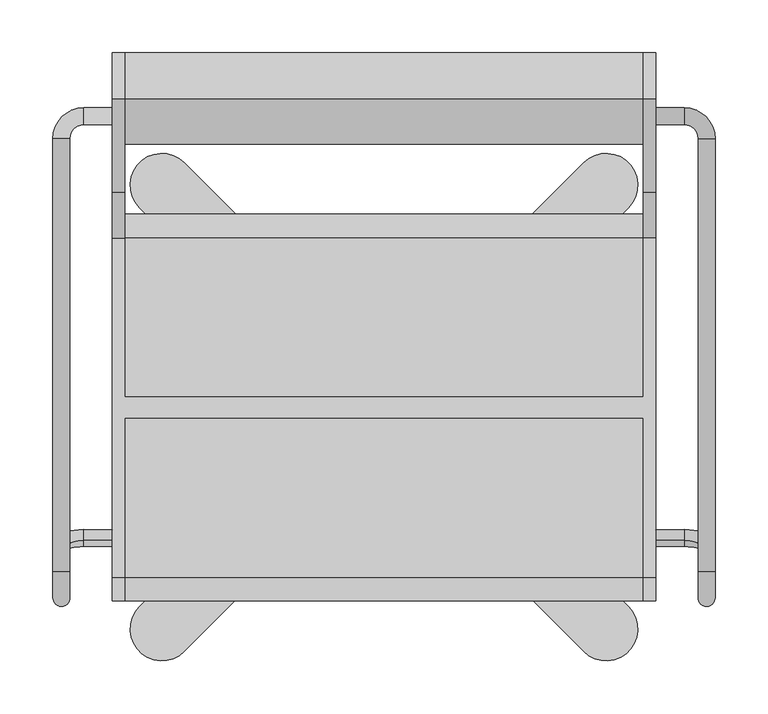
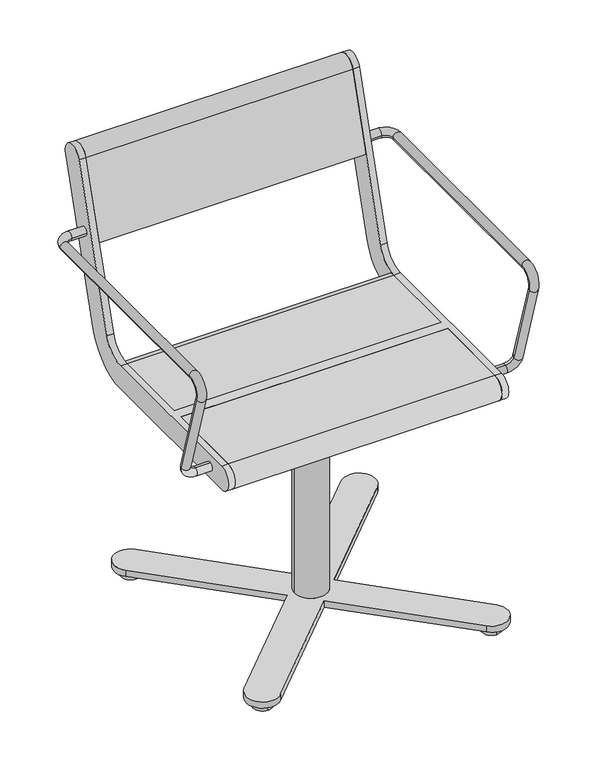
"""IFC4 building model written with IfcOpenShell, lengths in millimetres: furniture geometry."""

import ifcopenshell
import ifcopenshell.guid

model = None  # the IFC model being written
_history = None  # IfcOwnerHistory: only IFC2X3 demands one
_inside = {}  # id of a spatial element -> (the spatial element, [elements in it])
_under = {}  # id of a project, library or spatial element -> (it, [spatial elements below it])
_declared = {}  # id of a project -> (the project, [libraries it declares])
_typed = {}  # id of a type object -> (the type object, [elements of that type])
_made_of = {}  # id of a material, layer set ... -> (it, [elements and type objects made of it])


def new_model(schema):
    """Start an empty IFC model of exactly this schema.

    Asked for "IFC4X3", IfcOpenShell would pick the latest addendum, in which some entities
    have other attributes; the version numbers below select the first issue.
    IFC2X3 requires an IfcOwnerHistory on every rooted entity: one is made here for all.
    """
    global model, _history
    if schema == "IFC4X3":
        model = ifcopenshell.file(schema_version=(4, 3, 0, 0))
    else:
        model = ifcopenshell.file(schema=schema)
    _inside.clear()
    _under.clear()
    _declared.clear()
    _typed.clear()
    _made_of.clear()
    _history = None
    if model.schema == "IFC2X3":
        org = make("IfcOrganization", Name="unknown")
        user = make(
            "IfcPersonAndOrganization",
            ThePerson=make("IfcPerson", FamilyName="unknown"),
            TheOrganization=org,
        )
        app = make(
            "IfcApplication",
            ApplicationDeveloper=org,
            Version="unknown",
            ApplicationFullName="unknown",
            ApplicationIdentifier="unknown",
        )
        _history = make(
            "IfcOwnerHistory",
            OwningUser=user,
            OwningApplication=app,
            ChangeAction="ADDED",
            CreationDate=0,
        )
    return model


def make(cls, **values):
    """One entity of the class cls with the attributes given. An attribute that is None is left unset."""
    return model.create_entity(
        cls, **{name: value for name, value in values.items() if value is not None}
    )


def rooted(cls, **values):
    """An entity with a GlobalId (a new one), such as an element, a storey or a relation."""
    return make(cls, GlobalId=ifcopenshell.guid.new(), OwnerHistory=_history, **values)


def si_unit(unit_type, name, prefix=None):
    """IfcSIUnit, for example si_unit("LENGTHUNIT", "METRE", prefix="MILLI")."""
    return make("IfcSIUnit", UnitType=unit_type, Prefix=prefix, Name=name)


def assignment(units):
    """IfcUnitAssignment: the units of a project."""
    return None if units is None else make("IfcUnitAssignment", Units=units)


def point(xyz):
    """IfcCartesianPoint."""
    return None if xyz is None else make("IfcCartesianPoint", Coordinates=xyz)


def direction(xyz):
    """IfcDirection."""
    return None if xyz is None else make("IfcDirection", DirectionRatios=xyz)


def frame(location, z_axis=None, x_axis=None):
    """IfcAxis2Placement3D, a coordinate frame: its origin and axes. An axis left out is left unset."""
    return make(
        "IfcAxis2Placement3D",
        Location=point(location),
        Axis=direction(z_axis),
        RefDirection=direction(x_axis),
    )


def frame_2d(location, x_axis=None):
    """IfcAxis2Placement2D, a coordinate frame in the plane: its origin and x axis."""
    return make(
        "IfcAxis2Placement2D", Location=point(location), RefDirection=direction(x_axis)
    )


def origin():
    """The frame at (0, 0, 0) with its axes left unset."""
    return frame((0.0, 0.0, 0.0))


def place(relative_to, where):
    """IfcLocalPlacement: puts the frame where relative to a parent placement (None: the world)."""
    return make(
        "IfcLocalPlacement", PlacementRelTo=relative_to, RelativePlacement=where
    )


def context(
    kind, dimensions, precision=None, world=None, true_north=None, identifier=None
):
    """IfcGeometricRepresentationContext, for example the 3D "Model" context."""
    return make(
        "IfcGeometricRepresentationContext",
        ContextIdentifier=identifier,
        ContextType=kind,
        CoordinateSpaceDimension=dimensions,
        Precision=precision,
        WorldCoordinateSystem=world,
        TrueNorth=true_north,
    )


def project(units=None, contexts=None):
    """IfcProject with its units and contexts."""
    return rooted(
        "IfcProject",
        Name="project",
        RepresentationContexts=contexts,
        UnitsInContext=assignment(units),
    )


def spatial(cls, under=None, at=None, **own):
    """A site, building, storey or space (cls), placed at a placement, below another one or the project."""
    s = rooted(cls, ObjectPlacement=at, **own)
    if under is not None:
        _under.setdefault(under.id(), (under, []))[1].append(s)
    return s


def polyline(points):
    """IfcPolyline through the points."""
    return make("IfcPolyline", Points=[point(p) for p in points])


def circle_curve(where, radius):
    """IfcCircle in the frame where."""
    return make("IfcCircle", Position=where, Radius=radius)


def ellipse_curve(where, semi_axis1, semi_axis2):
    """IfcEllipse in the frame where."""
    return make(
        "IfcEllipse", Position=where, SemiAxis1=semi_axis1, SemiAxis2=semi_axis2
    )


def trimmed(basis, trim1, trim2, sense, master):
    """IfcTrimmedCurve: the piece of a basis curve between two trims."""
    return make(
        "IfcTrimmedCurve",
        BasisCurve=basis,
        Trim1=trim1,
        Trim2=trim2,
        SenseAgreement=sense,
        MasterRepresentation=master,
    )


def segment(curve, same_sense, transition):
    """IfcCompositeCurveSegment."""
    return make(
        "IfcCompositeCurveSegment",
        Transition=transition,
        SameSense=same_sense,
        ParentCurve=curve,
    )


def composite_curve(segments, self_intersect=None):
    """IfcCompositeCurve: segments joined end to end."""
    return make("IfcCompositeCurve", Segments=segments, SelfIntersect=self_intersect)


def outline(outer, holes=None, kind="AREA"):
    """IfcArbitraryClosedProfileDef: a profile drawn as a closed curve; with holes, ...WithVoids."""
    if holes is None:
        return make("IfcArbitraryClosedProfileDef", ProfileType=kind, OuterCurve=outer)
    return make(
        "IfcArbitraryProfileDefWithVoids",
        ProfileType=kind,
        OuterCurve=outer,
        InnerCurves=holes,
    )


def extrude(swept, where, along, depth):
    """IfcExtrudedAreaSolid: the profile swept, set in the frame where, extruded along a direction by depth."""
    return make(
        "IfcExtrudedAreaSolid",
        SweptArea=swept,
        Position=where,
        ExtrudedDirection=direction(along),
        Depth=depth,
    )


def shape(context_of_items, identifier, shape_type, items):
    """IfcShapeRepresentation: the items that make up one representation, for example the "Body"."""
    return make(
        "IfcShapeRepresentation",
        ContextOfItems=context_of_items,
        RepresentationIdentifier=identifier,
        RepresentationType=shape_type,
        Items=items,
    )


def source(mapping_origin, context_of_items, identifier, shape_type, items):
    """IfcRepresentationMap: a shape defined once, which mapped items show again and again."""
    return make(
        "IfcRepresentationMap",
        MappingOrigin=mapping_origin,
        MappedRepresentation=shape(context_of_items, identifier, shape_type, items),
    )


def transform(
    local_origin,
    x_axis=None,
    y_axis=None,
    z_axis=None,
    scale=None,
    scale2=None,
    scale3=None,
    uniform=True,
):
    """IfcCartesianTransformationOperator3D, or its non-uniform kind. x_axis, y_axis, z_axis: its Axis1, 2, 3."""
    if uniform:
        return make(
            "IfcCartesianTransformationOperator3D",
            Axis1=direction(x_axis),
            Axis2=direction(y_axis),
            LocalOrigin=point(local_origin),
            Scale=scale,
            Axis3=direction(z_axis),
        )
    return make(
        "IfcCartesianTransformationOperator3DnonUniform",
        Axis1=direction(x_axis),
        Axis2=direction(y_axis),
        LocalOrigin=point(local_origin),
        Scale=scale,
        Axis3=direction(z_axis),
        Scale2=scale2,
        Scale3=scale3,
    )


def mapped(mapping_source, mapping_target):
    """IfcMappedItem: shows the shape of a source again, moved by a transform."""
    return make(
        "IfcMappedItem", MappingSource=mapping_source, MappingTarget=mapping_target
    )


def made_of(thing, what):
    """Note that an element or type object is made of a material, layer set ...; save() writes the relation."""
    if what is not None:
        _made_of.setdefault(what.id(), (what, []))[1].append(thing)
    return thing


def element(
    cls,
    number,
    at=None,
    inside=None,
    cuts=None,
    type_object=None,
    material=None,
    context=None,
    identifier="Body",
    shape_type=None,
    held_by="IfcProductDefinitionShape",
    body=None,
    shapes=None,
    **own,
):
    """One element of the class cls, such as IfcWall. Its Tag is "e" and its number.

    at: its placement. inside: the storey or other place that contains it. cuts: it is an
    opening in that element (IfcRelVoidsElement). A single representation is given by context,
    identifier, shape_type and body (its items); several are given by shapes. held_by: the class
    of the entity that holds the representations. save() writes the other relations.
    """
    e = rooted(cls, Tag="e%d" % number, ObjectPlacement=at, **own)
    if body is not None:
        shapes = [shape(context, identifier, shape_type, body)]
    if shapes is not None:
        e.Representation = make(held_by, Representations=shapes)
    if inside is not None:
        _inside.setdefault(inside.id(), (inside, []))[1].append(e)
    if cuts is not None:
        rooted(
            "IfcRelVoidsElement", RelatingBuildingElement=cuts, RelatedOpeningElement=e
        )
    if type_object is not None:
        _typed.setdefault(type_object.id(), (type_object, []))[1].append(e)
    return made_of(e, material)


def aggregate(whole, parts):
    """IfcRelAggregates: a whole, such as a stair, and the parts it consists of."""
    return rooted("IfcRelAggregates", RelatingObject=whole, RelatedObjects=parts)


def save(model, path):
    """Write the relations noted so far, then the file.

    IfcRelAggregates (storeys below a building ...), IfcRelContainedInSpatialStructure (elements
    in a storey), IfcRelDefinesByType, IfcRelAssociatesMaterial and IfcRelDeclares: one each for
    every whole, place, type object, material and project.
    """
    for whole, parts in _under.values():
        aggregate(whole, parts)
    for where, things in _inside.values():
        rooted(
            "IfcRelContainedInSpatialStructure",
            RelatedElements=things,
            RelatingStructure=where,
        )
    for kind, things in _typed.values():
        rooted("IfcRelDefinesByType", RelatedObjects=things, RelatingType=kind)
    for what, things in _made_of.values():
        rooted("IfcRelAssociatesMaterial", RelatedObjects=things, RelatingMaterial=what)
    for by, libraries in _declared.values():
        rooted("IfcRelDeclares", RelatingContext=by, RelatedDefinitions=libraries)
    model.write(path)


def plane_surface(at):
    """IfcPlane: the flat surface through the origin of the frame at, square to its z axis."""
    return make("IfcPlane", Position=at)


def cylinder_surface(at, radius):
    """IfcCylindricalSurface: all points at the distance radius from the z axis of the frame at."""
    return make("IfcCylindricalSurface", Position=at, Radius=radius)


def revolved_surface(curve, axis_point, axis_direction):
    """IfcSurfaceOfRevolution: the curve turned about the line through axis_point along axis_direction."""
    return make(
        "IfcSurfaceOfRevolution",
        SweptCurve=make("IfcArbitraryOpenProfileDef", ProfileType="CURVE", Curve=curve),
        AxisPosition=make("IfcAxis1Placement", Location=point(axis_point), Axis=direction(axis_direction)),
    )


def advanced_brep(points, edges, surfaces, faces):
    """IfcAdvancedBrep: a solid bounded by faces that lie on surfaces and meet in shared edges.

    An edge is (start, end): straight between two places in points (the first is 0);
    or (start, end, curve); or (start, end, curve, False) where it runs against its curve.
    A face is (place in surfaces, loops), or (place, loops, False) where it looks against
    its surface's normal. A loop lists edges by number (the first is 1), with a minus sign
    where the edge is run from its end to its start. The first loop is the outer one.
    """
    corners = [point(p) for p in points]
    vertices = [make("IfcVertexPoint", VertexGeometry=c) for c in corners]
    made = []
    for start, end, *more in edges:
        made.append(
            make(
                "IfcEdgeCurve",
                EdgeStart=vertices[start],
                EdgeEnd=vertices[end],
                EdgeGeometry=more[0] if more else make("IfcPolyline", Points=[corners[start], corners[end]]),
                SameSense=more[1] if len(more) > 1 else True,
            )
        )
    hull = []
    for where, loops, *sense in faces:
        bounds = []
        for j, loop in enumerate(loops):
            ring = [make("IfcOrientedEdge", EdgeElement=made[abs(k) - 1], Orientation=k > 0) for k in loop]
            bounds.append(
                make(
                    "IfcFaceOuterBound" if j == 0 else "IfcFaceBound",
                    Bound=make("IfcEdgeLoop", EdgeList=ring),
                    Orientation=True,
                )
            )
        hull.append(make("IfcAdvancedFace", Bounds=bounds, FaceSurface=surfaces[where], SameSense=sense[0] if sense else True))
    return make("IfcAdvancedBrep", Outer=make("IfcClosedShell", CfsFaces=hull))


def furniture_800e4f23(model_context):
    return source(origin(), model_context, "Body", "SolidModel", [
        advanced_brep(
        [(257.0, 267.0, 641.5), (257.0, 283.0, 641.5), (284.0, 267.0, 641.5), (284.0, 283.0, 641.5), (297.0, 254.0, 641.5), (313.0, 254.0, 641.5), (297.0, -155.6408049, 641.5), (313.0, -155.6408049, 641.5), (313.0, -179.5484238, 609.1907074), (297.0, -179.5484238, 609.1907074), (313.0, -130.1398058, 447.5823999), (297.0, -130.1398058, 447.5823999), (257.0, -126.3389736, 435.150438), (257.0, -121.6610264, 419.849562), (284.0, -121.6610264, 419.849562), (284.0, -126.3389736, 435.150438)],
        [
            (0, 1, circle_curve(frame((257.0, 275.0, 641.5), z_axis=(-1.0, 0.0, 0.0), x_axis=(0.0, 1.0, 0.0)), 8.0)),
            (1, 0, circle_curve(frame((257.0, 275.0, 641.5), z_axis=(-1.0, 0.0, 0.0), x_axis=(0.0, 1.0, 0.0)), 8.0)),
            (0, 2),
            (2, 3, circle_curve(frame((284.0, 275.0, 641.5), z_axis=(-1.0, 0.0, 0.0), x_axis=(0.0, 1.0, 0.0)), 8.0)),
            (3, 1),
            (3, 2, circle_curve(frame((284.0, 275.0, 641.5), z_axis=(-1.0, 0.0, 0.0), x_axis=(0.0, 1.0, 0.0)), 8.0)),
            (2, 4, circle_curve(frame((284.0, 254.0, 641.5), z_axis=(0.0, 0.0, -1.0), x_axis=(0.0, 1.0, 0.0)), 13.0)),
            (4, 5, circle_curve(frame((305.0, 254.0, 641.5), z_axis=(0.0, 1.0, 0.0), x_axis=(1.0, 0.0, 0.0)), 8.0)),
            (5, 3, circle_curve(frame((284.0, 254.0, 641.5), z_axis=(0.0, 0.0, 1.0), x_axis=(0.0, 1.0, 0.0)), 29.0)),
            (5, 4, circle_curve(frame((305.0, 254.0, 641.5), z_axis=(0.0, 1.0, 0.0), x_axis=(1.0, 0.0, 0.0)), 8.0)),
            (4, 6),
            (6, 7, circle_curve(frame((305.0, -155.6408049, 641.5), z_axis=(0.0, 1.0, 0.0), x_axis=(1.0, 0.0, 0.0)), 8.0)),
            (7, 5),
            (7, 6, circle_curve(frame((305.0, -155.6408049, 641.5), z_axis=(0.0, 1.0, 0.0), x_axis=(1.0, 0.0, 0.0)), 8.0)),
            (7, 8, circle_curve(frame((313.0, -155.6408049, 616.5), z_axis=(1.0, 0.0, 0.0), x_axis=(0.0, 0.0, 1.0)), 25.0)),
            (8, 9, circle_curve(frame((305.0, -179.5484238, 609.1907074), z_axis=(0.0, -0.2923717047227469, 0.9563047559630324), x_axis=(1.0, 0.0, 0.0)), 8.0)),
            (9, 6, circle_curve(frame((297.0, -155.6408049, 616.5), z_axis=(-1.0, 0.0, 0.0), x_axis=(0.0, 0.0, 1.0)), 25.0)),
            (9, 8, circle_curve(frame((305.0, -179.5484238, 609.1907074), z_axis=(0.0, -0.2923717047227456, 0.9563047559630328), x_axis=(1.0, 0.0, 0.0)), 8.0)),
            (8, 10),
            (10, 11, circle_curve(frame((305.0, -130.1398058, 447.5823999), z_axis=(0.0, -0.2923717047227381, 0.9563047559630351), x_axis=(1.0, 0.0, 0.0)), 8.0)),
            (11, 9),
            (11, 10, circle_curve(frame((305.0, -130.1398058, 447.5823999), z_axis=(0.0, -0.2923717047227381, 0.9563047559630351), x_axis=(1.0, 0.0, 0.0)), 8.0)),
            (12, 13, circle_curve(frame((257.0, -124.0, 427.5), z_axis=(-1.0, 0.0, 0.0), x_axis=(0.0, 0.2923717047227402, -0.9563047559630344)), 8.0)),
            (13, 12, circle_curve(frame((257.0, -124.0, 427.5), z_axis=(-1.0, 0.0, 0.0), x_axis=(0.0, 0.2923717047227402, -0.9563047559630344)), 8.0)),
            (13, 14),
            (14, 15, circle_curve(frame((284.0, -124.0, 427.5), z_axis=(-1.0, 0.0, 0.0), x_axis=(0.0, 0.2923717047227402, -0.9563047559630344)), 8.0)),
            (15, 12),
            (15, 14, circle_curve(frame((284.0, -124.0, 427.5), z_axis=(-1.0, 0.0, 0.0), x_axis=(0.0, 0.2923717047227402, -0.9563047559630344)), 8.0)),
            (14, 10, circle_curve(frame((284.0, -130.1398058, 447.5823999), z_axis=(0.0, -0.9563047559630344, -0.29237170472274027), x_axis=(0.0, 0.29237170472274027, -0.9563047559630344)), 29.0)),
            (11, 15, circle_curve(frame((284.0, -130.1398058, 447.5823999), z_axis=(0.0, 0.9563047559630344, 0.29237170472274027), x_axis=(0.0, 0.29237170472274027, -0.9563047559630344)), 13.0)),
        ],
        [
            plane_surface(frame((257.0, 275.0, 405.0), z_axis=(-1.0, 0.0, 0.0), x_axis=(0.0, 0.0, 1.0))),
            cylinder_surface(frame((257.0, 275.0, 641.5), z_axis=(-1.0, 0.0, 0.0), x_axis=(0.0, 1.0, 0.0)), 8.0),
            revolved_surface(trimmed(ellipse_curve(frame((284.0, 275.0, 641.5), z_axis=(-1.0, 0.0, 0.0), x_axis=(0.0, 1.0, 0.0)), 8.0, 8.0), [point((284.0, 267.0, 641.5))], [point((284.0, 283.0, 641.5))], True, "CARTESIAN"), (284.0, 254.0, 405.0), (0.0, 0.0, -1.0)),
            revolved_surface(trimmed(ellipse_curve(frame((284.0, 275.0, 641.5), z_axis=(-1.0, 0.0, 0.0), x_axis=(0.0, 1.0, 0.0)), 8.0, 8.0), [point((284.0, 283.0, 641.5))], [point((284.0, 267.0, 641.5))], True, "CARTESIAN"), (284.0, 254.0, 405.0), (0.0, 0.0, -1.0)),
            cylinder_surface(frame((305.0, 254.0, 641.5), z_axis=(0.0, 1.0, 0.0), x_axis=(1.0, 0.0, 0.0)), 8.0),
            revolved_surface(trimmed(ellipse_curve(frame((305.0, -155.6408049, 641.5), z_axis=(0.0, 1.0, 0.0), x_axis=(1.0, 0.0, 0.0)), 8.0, 8.0), [point((313.0, -155.6408049, 641.5))], [point((297.0, -155.6408049, 641.5))], True, "CARTESIAN"), (0.0, -155.6408049, 616.5), (1.0, 0.0, 0.0)),
            revolved_surface(trimmed(ellipse_curve(frame((305.0, -155.6408049, 641.5), z_axis=(0.0, 1.0, 0.0), x_axis=(1.0, 0.0, 0.0)), 8.0, 8.0), [point((297.0, -155.6408049, 641.5))], [point((313.0, -155.6408049, 641.5))], True, "CARTESIAN"), (0.0, -155.6408049, 616.5), (1.0, 0.0, 0.0)),
            cylinder_surface(frame((305.0, -179.5484238, 609.1907074), z_axis=(0.0, -0.2923717047227381, 0.9563047559630351), x_axis=(1.0, 0.0, 0.0)), 8.0),
            plane_surface(frame((257.0, 489.469501, 615.0564486), z_axis=(-1.0, 0.0, 0.0), x_axis=(0.0, -0.9563047559630344, -0.29237170472274027))),
            cylinder_surface(frame((257.0, -124.0, 427.5), z_axis=(-1.0, 0.0, 0.0), x_axis=(0.0, 0.2923717047227402, -0.9563047559630344)), 8.0),
            revolved_surface(trimmed(ellipse_curve(frame((284.0, -124.0, 427.5), z_axis=(-1.0, 0.0, 0.0), x_axis=(0.0, 0.2923717047227402, -0.9563047559630344)), 8.0, 8.0), [point((284.0, -121.6610264, 419.849562))], [point((284.0, -126.3389736, 435.150438))], True, "CARTESIAN"), (284.0, 483.3296952, 635.1388485), (0.0, -0.9563047559630344, -0.29237170472274027)),
            revolved_surface(trimmed(ellipse_curve(frame((284.0, -124.0, 427.5), z_axis=(-1.0, 0.0, 0.0), x_axis=(0.0, 0.2923717047227402, -0.9563047559630344)), 8.0, 8.0), [point((284.0, -126.3389736, 435.150438))], [point((284.0, -121.6610264, 419.849562))], True, "CARTESIAN"), (284.0, 483.3296952, 635.1388485), (0.0, -0.9563047559630344, -0.29237170472274027)),
        ],
        [
            (0, [[1, 2]]),
            (1, [[-1, 3, 4, 5]]),
            (1, [[-2, -5, 6, -3]]),
            (2, [[-4, 7, 8, 9]]),
            (3, [[-6, -9, 10, -7]]),
            (4, [[11, 12, 13, -8]]),
            (4, [[-11, -10, -13, 14]]),
            (5, [[-14, 15, 16, 17]]),
            (6, [[-12, -17, 18, -15]]),
            (7, [[-16, 19, 20, 21]]),
            (7, [[-18, -21, 22, -19]]),
            (8, [[23, 24]]),
            (9, [[-24, 25, 26, 27]]),
            (9, [[-23, -27, 28, -25]]),
            (10, [[-26, 29, -22, 30]]),
            (11, [[-28, -30, -20, -29]]),
        ],
    ),
        advanced_brep(
        [(-313.0, 254.0, 641.5), (-313.0, -155.6408049, 641.5), (-297.0, -155.6408049, 641.5), (-297.0, 254.0, 641.5), (-257.0, 267.0, 641.5), (-257.0, 283.0, 641.5), (-284.0, 283.0, 641.5), (-284.0, 267.0, 641.5), (-297.0, -179.5484238, 609.1907074), (-313.0, -179.5484238, 609.1907074), (-297.0, -130.1398058, 447.5823999), (-313.0, -130.1398058, 447.5823999), (-257.0, -126.3389736, 435.150438), (-257.0, -121.6610264, 419.849562), (-284.0, -126.3389736, 435.150438), (-284.0, -121.6610264, 419.849562)],
        [
            (0, 1),
            (1, 2, circle_curve(frame((-305.0, -155.6408049, 641.5), z_axis=(0.0, 1.0, 0.0), x_axis=(-1.0, 0.0, 0.0)), 8.0)),
            (2, 3),
            (3, 0, circle_curve(frame((-305.0, 254.0, 641.5), z_axis=(0.0, -1.0, 0.0), x_axis=(-1.0, 0.0, 0.0)), 8.0)),
            (0, 3, circle_curve(frame((-305.0, 254.0, 641.5), z_axis=(0.0, -1.0, 0.0), x_axis=(-1.0, 0.0, 0.0)), 8.0)),
            (2, 1, circle_curve(frame((-305.0, -155.6408049, 641.5), z_axis=(0.0, 1.0, 0.0), x_axis=(-1.0, 0.0, 0.0)), 8.0)),
            (4, 5, circle_curve(frame((-257.0, 275.0, 641.5), z_axis=(1.0, 0.0, 0.0), x_axis=(0.0, 1.0, 0.0)), 8.0)),
            (5, 4, circle_curve(frame((-257.0, 275.0, 641.5), z_axis=(1.0, 0.0, 0.0), x_axis=(0.0, 1.0, 0.0)), 8.0)),
            (5, 6),
            (6, 7, circle_curve(frame((-284.0, 275.0, 641.5), z_axis=(1.0, 0.0, 0.0), x_axis=(0.0, 1.0, 0.0)), 8.0)),
            (7, 4),
            (7, 6, circle_curve(frame((-284.0, 275.0, 641.5), z_axis=(1.0, 0.0, 0.0), x_axis=(0.0, 1.0, 0.0)), 8.0)),
            (6, 0, circle_curve(frame((-284.0, 254.0, 641.5), z_axis=(0.0, 0.0, 1.0), x_axis=(0.0, 1.0, 0.0)), 29.0)),
            (3, 7, circle_curve(frame((-284.0, 254.0, 641.5), z_axis=(0.0, 0.0, -1.0), x_axis=(0.0, 1.0, 0.0)), 13.0)),
            (2, 8, circle_curve(frame((-297.0, -155.6408049, 616.5), z_axis=(1.0, 0.0, 0.0), x_axis=(0.0, 0.0, 1.0)), 25.0)),
            (8, 9, circle_curve(frame((-305.0, -179.5484238, 609.1907074), z_axis=(0.0, -0.29237170472274643, 0.9563047559630325), x_axis=(-1.0, 0.0, 0.0)), 8.0)),
            (9, 1, circle_curve(frame((-313.0, -155.6408049, 616.5), z_axis=(-1.0, 0.0, 0.0), x_axis=(0.0, 0.0, 1.0)), 25.0)),
            (9, 8, circle_curve(frame((-305.0, -179.5484238, 609.1907074), z_axis=(0.0, -0.29237170472274643, 0.9563047559630325), x_axis=(-1.0, 0.0, 0.0)), 8.0)),
            (8, 10),
            (10, 11, circle_curve(frame((-305.0, -130.1398058, 447.5823999), z_axis=(0.0, -0.2923717047227381, 0.9563047559630351), x_axis=(-1.0, 0.0, 0.0)), 8.0)),
            (11, 9),
            (11, 10, circle_curve(frame((-305.0, -130.1398058, 447.5823999), z_axis=(0.0, -0.2923717047227381, 0.9563047559630351), x_axis=(-1.0, 0.0, 0.0)), 8.0)),
            (12, 13, circle_curve(frame((-257.0, -124.0, 427.5), z_axis=(1.0, 0.0, 0.0), x_axis=(0.0, 0.2923717047227402, -0.9563047559630344)), 8.0)),
            (13, 12, circle_curve(frame((-257.0, -124.0, 427.5), z_axis=(1.0, 0.0, 0.0), x_axis=(0.0, 0.2923717047227402, -0.9563047559630344)), 8.0)),
            (12, 14),
            (14, 15, circle_curve(frame((-284.0, -124.0, 427.5), z_axis=(1.0, 0.0, 0.0), x_axis=(0.0, 0.2923717047227402, -0.9563047559630344)), 8.0)),
            (15, 13),
            (15, 14, circle_curve(frame((-284.0, -124.0, 427.5), z_axis=(1.0, 0.0, 0.0), x_axis=(0.0, 0.2923717047227402, -0.9563047559630344)), 8.0)),
            (14, 10, circle_curve(frame((-284.0, -130.1398058, 447.5823999), z_axis=(0.0, 0.9563047559630344, 0.29237170472274027), x_axis=(0.0, 0.29237170472274027, -0.9563047559630344)), 13.0)),
            (11, 15, circle_curve(frame((-284.0, -130.1398058, 447.5823999), z_axis=(0.0, -0.9563047559630344, -0.29237170472274027), x_axis=(0.0, 0.29237170472274027, -0.9563047559630344)), 29.0)),
        ],
        [
            cylinder_surface(frame((-305.0, 254.0, 641.5), z_axis=(0.0, 1.0, 0.0), x_axis=(-1.0, 0.0, 0.0)), 8.0),
            plane_surface(frame((-257.0, 275.0, 405.0), z_axis=(1.0, 0.0, 0.0), x_axis=(0.0, 0.0, 1.0))),
            cylinder_surface(frame((-257.0, 275.0, 641.5), z_axis=(1.0, 0.0, 0.0), x_axis=(0.0, 1.0, 0.0)), 8.0),
            revolved_surface(trimmed(ellipse_curve(frame((-284.0, 275.0, 641.5), z_axis=(1.0, 0.0, 0.0), x_axis=(0.0, 1.0, 0.0)), 8.0, 8.0), [point((-284.0, 283.0, 641.5))], [point((-284.0, 267.0, 641.5))], True, "CARTESIAN"), (-284.0, 254.0, 405.0), (0.0, 0.0, 1.0)),
            revolved_surface(trimmed(ellipse_curve(frame((-284.0, 275.0, 641.5), z_axis=(1.0, 0.0, 0.0), x_axis=(0.0, 1.0, 0.0)), 8.0, 8.0), [point((-284.0, 267.0, 641.5))], [point((-284.0, 283.0, 641.5))], True, "CARTESIAN"), (-284.0, 254.0, 405.0), (0.0, 0.0, 1.0)),
            revolved_surface(trimmed(ellipse_curve(frame((-305.0, -155.6408049, 641.5), z_axis=(0.0, 1.0, 0.0), x_axis=(-1.0, 0.0, 0.0)), 8.0, 8.0), [point((-297.0, -155.6408049, 641.5))], [point((-313.0, -155.6408049, 641.5))], True, "CARTESIAN"), (0.0, -155.6408049, 616.5), (1.0, 0.0, 0.0)),
            revolved_surface(trimmed(ellipse_curve(frame((-305.0, -155.6408049, 641.5), z_axis=(0.0, 1.0, 0.0), x_axis=(-1.0, 0.0, 0.0)), 8.0, 8.0), [point((-313.0, -155.6408049, 641.5))], [point((-297.0, -155.6408049, 641.5))], True, "CARTESIAN"), (0.0, -155.6408049, 616.5), (1.0, 0.0, 0.0)),
            cylinder_surface(frame((-305.0, -179.5484238, 609.1907074), z_axis=(0.0, -0.2923717047227381, 0.9563047559630351), x_axis=(-1.0, 0.0, 0.0)), 8.0),
            plane_surface(frame((-257.0, 489.469501, 615.0564486), z_axis=(1.0, 0.0, 0.0), x_axis=(0.0, -0.9563047559630344, -0.29237170472274027))),
            cylinder_surface(frame((-257.0, -124.0, 427.5), z_axis=(1.0, 0.0, 0.0), x_axis=(0.0, 0.2923717047227402, -0.9563047559630344)), 8.0),
            revolved_surface(trimmed(ellipse_curve(frame((-284.0, -124.0, 427.5), z_axis=(1.0, 0.0, 0.0), x_axis=(0.0, 0.2923717047227402, -0.9563047559630344)), 8.0, 8.0), [point((-284.0, -126.3389736, 435.150438))], [point((-284.0, -121.6610264, 419.849562))], True, "CARTESIAN"), (-284.0, 483.3296952, 635.1388485), (0.0, 0.9563047559630344, 0.29237170472274027)),
            revolved_surface(trimmed(ellipse_curve(frame((-284.0, -124.0, 427.5), z_axis=(1.0, 0.0, 0.0), x_axis=(0.0, 0.2923717047227402, -0.9563047559630344)), 8.0, 8.0), [point((-284.0, -121.6610264, 419.849562))], [point((-284.0, -126.3389736, 435.150438))], True, "CARTESIAN"), (-284.0, 483.3296952, 635.1388485), (0.0, 0.9563047559630344, 0.29237170472274027)),
        ],
        [
            (0, [[1, 2, 3, 4]]),
            (0, [[-1, 5, -3, 6]]),
            (1, [[7, 8]]),
            (2, [[-8, 9, 10, 11]]),
            (2, [[-7, -11, 12, -9]]),
            (3, [[-10, 13, -4, 14]]),
            (4, [[-12, -14, -5, -13]]),
            (5, [[-6, 15, 16, 17]]),
            (6, [[-2, -17, 18, -15]]),
            (7, [[-16, 19, 20, 21]]),
            (7, [[-18, -21, 22, -19]]),
            (8, [[23, 24]]),
            (9, [[-23, 25, 26, 27]]),
            (9, [[-24, -27, 28, -25]]),
            (10, [[-26, 29, -22, 30]]),
            (11, [[-28, -30, -20, -29]]),
        ],
    ),
        advanced_brep(
        [(-245.0, 291.0375971, 769.6910048), (-245.0, 203.033714, 481.8432733), (-245.0, 160.0, 450.0), (-245.0, 9.5, 450.0), (-245.0, 9.5, 405.0), (-245.0, 160.0, 405.0), (-245.0, 246.067428, 468.6865466), (-245.0, 334.0713112, 756.5342781), (-245.0, -161.0, 450.0), (-245.0, -161.0, 405.0), (-245.0, -10.5, 405.0), (-245.0, -10.5, 450.0), (-257.0, 291.0375971, 769.6910048), (-257.0, 334.0713112, 756.5342781), (-257.0, 246.067428, 468.6865466), (-257.0, 160.0, 405.0), (-257.0, -161.0, 405.0), (-257.0, -161.0, 450.0), (-257.0, 160.0, 450.0), (-257.0, 203.033714, 481.8432733), (245.0, -10.5, 450.0), (245.0, -161.0, 450.0), (257.0, -161.0, 450.0), (257.0, 160.0, 450.0), (245.0, 160.0, 450.0), (245.0, 9.5, 450.0), (245.0, 9.5, 405.0), (245.0, 160.0, 405.0), (257.0, 160.0, 405.0), (257.0, -161.0, 405.0), (245.0, -161.0, 405.0), (245.0, -10.5, 405.0), (257.0, 291.0375971, 769.6910048), (257.0, 203.033714, 481.8432733), (257.0, 246.067428, 468.6865466), (257.0, 334.0713112, 756.5342781), (245.0, 291.0375971, 769.6910048), (245.0, 334.0713112, 756.5342781), (245.0, 246.067428, 468.6865466), (245.0, 203.033714, 481.8432733)],
        [
            (0, 1),
            (1, 2, circle_curve(frame((-245.0, 160.0, 495.0), z_axis=(-1.0, 0.0, 0.0), x_axis=(0.0, -1.0, 0.0)), 45.0)),
            (2, 3),
            (3, 4),
            (4, 5),
            (5, 6, circle_curve(frame((-245.0, 160.0, 495.0), z_axis=(1.0, 0.0, 0.0), x_axis=(0.0, -1.0, 0.0)), 90.0)),
            (6, 7),
            (7, 0, circle_curve(frame((-245.0, 312.5544541, 763.1126415), z_axis=(1.0, 0.0, 0.0), x_axis=(0.0, -1.0, 0.0)), 22.5)),
            (8, 9, circle_curve(frame((-245.0, -161.0, 427.5), z_axis=(1.0, 0.0, 0.0), x_axis=(0.0, -1.0, 0.0)), 22.5)),
            (9, 10),
            (10, 11),
            (11, 8),
            (12, 13, circle_curve(frame((-257.0, 312.5544541, 763.1126415), z_axis=(-1.0, 0.0, 0.0), x_axis=(0.0, -1.0, 0.0)), 22.5)),
            (13, 14),
            (14, 15, circle_curve(frame((-257.0, 160.0, 495.0), z_axis=(-1.0, 0.0, 0.0), x_axis=(0.0, -1.0, 0.0)), 90.0)),
            (15, 16),
            (16, 17, circle_curve(frame((-257.0, -161.0, 427.5), z_axis=(-1.0, 0.0, 0.0), x_axis=(0.0, -1.0, 0.0)), 22.5)),
            (17, 18),
            (18, 19, circle_curve(frame((-257.0, 160.0, 495.0), z_axis=(1.0, 0.0, 0.0), x_axis=(0.0, -1.0, 0.0)), 45.0)),
            (19, 12),
            (0, 12),
            (19, 1),
            (18, 2),
            (17, 8),
            (11, 20),
            (20, 21),
            (21, 22),
            (22, 23),
            (23, 24),
            (24, 25),
            (25, 3),
            (15, 5),
            (4, 26),
            (26, 27),
            (27, 28),
            (28, 29),
            (29, 30),
            (30, 31),
            (31, 10),
            (9, 16),
            (14, 6),
            (13, 7),
            (31, 20),
            (25, 26),
            (32, 33),
            (33, 23, circle_curve(frame((257.0, 160.0, 495.0), z_axis=(-1.0, 0.0, 0.0), x_axis=(0.0, -1.0, 0.0)), 45.0)),
            (22, 29, circle_curve(frame((257.0, -161.0, 427.5), z_axis=(1.0, 0.0, 0.0), x_axis=(0.0, -1.0, 0.0)), 22.5)),
            (28, 34, circle_curve(frame((257.0, 160.0, 495.0), z_axis=(1.0, 0.0, 0.0), x_axis=(0.0, -1.0, 0.0)), 90.0)),
            (34, 35),
            (35, 32, circle_curve(frame((257.0, 312.5544541, 763.1126415), z_axis=(1.0, 0.0, 0.0), x_axis=(0.0, -1.0, 0.0)), 22.5)),
            (36, 37, circle_curve(frame((245.0, 312.5544541, 763.1126415), z_axis=(-1.0, 0.0, 0.0), x_axis=(0.0, -1.0, 0.0)), 22.5)),
            (37, 38),
            (38, 27, circle_curve(frame((245.0, 160.0, 495.0), z_axis=(-1.0, 0.0, 0.0), x_axis=(0.0, -1.0, 0.0)), 90.0)),
            (24, 39, circle_curve(frame((245.0, 160.0, 495.0), z_axis=(1.0, 0.0, 0.0), x_axis=(0.0, -1.0, 0.0)), 45.0)),
            (39, 36),
            (30, 21, circle_curve(frame((245.0, -161.0, 427.5), z_axis=(-1.0, 0.0, 0.0), x_axis=(0.0, -1.0, 0.0)), 22.5)),
            (32, 36),
            (39, 33),
            (38, 34),
            (37, 35),
        ],
        [
            plane_surface(frame((-245.0, 203.033714, 481.8432733), z_axis=(1.0000000000000002, 0.0, 0.0), x_axis=(0.0, -0.29237170472273394, -0.9563047559630364))),
            plane_surface(frame((-257.0, 203.033714, 481.8432733), z_axis=(-1.0000000000000002, 0.0, 0.0), x_axis=(0.0, 0.29237170472273394, 0.9563047559630364))),
            plane_surface(frame((-245.0, 291.0375971, 769.6910048), z_axis=(0.0, -0.9563047559630364, 0.29237170472273394), x_axis=(-1.0, 0.0, 0.0))),
            revolved_surface(polyline([(-257.0, 115.0, 495.0), (-245.0, 115.0, 495.0)]), (-257.0, 160.0, 495.0), (-1.0, 0.0, 0.0)),
            plane_surface(frame((-245.0, 160.0, 450.0), z_axis=(0.0, 0.0, 1.0), x_axis=(-1.0, 0.0, 0.0))),
            plane_surface(frame((-245.0, -161.0, 405.0), z_axis=(0.0, 0.0, -1.0), x_axis=(-1.0, 0.0, 0.0))),
            cylinder_surface(frame((-257.0, 160.0, 495.0), z_axis=(1.0, 0.0, 0.0), x_axis=(0.0, -1.0, 0.0)), 90.0),
            plane_surface(frame((-245.0, 246.067428, 468.6865466), z_axis=(0.0, 0.9563047559630364, -0.29237170472273366), x_axis=(-1.0, 0.0, 0.0))),
            cylinder_surface(frame((-257.0, 312.5544541, 763.1126415), z_axis=(1.0, 0.0, 0.0), x_axis=(0.0, -1.0, 0.0)), 22.5),
            cylinder_surface(frame((-257.0, -161.0, 427.5), z_axis=(1.0, 0.0, 0.0), x_axis=(0.0, -1.0, 0.0)), 22.5),
            plane_surface(frame((245.0, -10.5, 450.0), z_axis=(0.0, -1.0, 0.0), x_axis=(-1.0, 0.0, 0.0))),
            plane_surface(frame((245.0, 9.5, 405.0), z_axis=(0.0, 1.0, 0.0), x_axis=(-1.0, 0.0, 0.0))),
            plane_surface(frame((257.0, 203.033714, 481.8432733), z_axis=(1.0000000000000002, 0.0, 0.0), x_axis=(0.0, -0.29237170472273394, -0.9563047559630364))),
            plane_surface(frame((245.0, 203.033714, 481.8432733), z_axis=(-1.0000000000000002, 0.0, 0.0), x_axis=(0.0, 0.29237170472273394, 0.9563047559630364))),
            plane_surface(frame((257.0, 291.0375971, 769.6910048), z_axis=(0.0, -0.9563047559630364, 0.29237170472273394), x_axis=(-1.0, 0.0, 0.0))),
            revolved_surface(polyline([(245.0, 115.0, 495.0), (257.0, 115.0, 495.0)]), (245.0, 160.0, 495.0), (-1.0, 0.0, 0.0)),
            cylinder_surface(frame((245.0, 160.0, 495.0), z_axis=(1.0, 0.0, 0.0), x_axis=(0.0, -1.0, 0.0)), 90.0),
            plane_surface(frame((257.0, 246.067428, 468.6865466), z_axis=(0.0, 0.9563047559630364, -0.29237170472273366), x_axis=(-1.0, 0.0, 0.0))),
            cylinder_surface(frame((245.0, 312.5544541, 763.1126415), z_axis=(1.0, 0.0, 0.0), x_axis=(0.0, -1.0, 0.0)), 22.5),
            cylinder_surface(frame((245.0, -161.0, 427.5), z_axis=(1.0, 0.0, 0.0), x_axis=(0.0, -1.0, 0.0)), 22.5),
        ],
        [
            (0, [[1, 2, 3, 4, 5, 6, 7, 8]]),
            (0, [[9, 10, 11, 12]]),
            (1, [[13, 14, 15, 16, 17, 18, 19, 20]]),
            (2, [[-1, 21, -20, 22]]),
            (3, [[-2, -22, -19, 23]]),
            (4, [[-18, 24, -12, 25, 26, 27, 28, 29, 30, 31, -3, -23]]),
            (5, [[-16, 32, -5, 33, 34, 35, 36, 37, 38, 39, -10, 40]]),
            (6, [[-6, -32, -15, 41]]),
            (7, [[-7, -41, -14, 42]]),
            (8, [[-8, -42, -13, -21]]),
            (9, [[-9, -24, -17, -40]]),
            (10, [[-25, -11, -39, 43]]),
            (11, [[-31, 44, -33, -4]]),
            (12, [[45, 46, -28, 47, -36, 48, 49, 50]]),
            (13, [[51, 52, 53, -34, -44, -30, 54, 55]]),
            (13, [[56, -26, -43, -38]]),
            (14, [[-45, 57, -55, 58]]),
            (15, [[-46, -58, -54, -29]]),
            (16, [[-48, -35, -53, 59]]),
            (17, [[-49, -59, -52, 60]]),
            (18, [[-50, -60, -51, -57]]),
            (19, [[-47, -27, -56, -37]]),
        ],
    ),
        extrude(outline(composite_curve([segment(trimmed(circle_curve(frame_2d((312.5544541, 763.1126415)), 22.5), [point((291.0375971, 769.6910048))], [point((334.0713112, 756.5342781))], False, "CARTESIAN"), True, "CONTINUOUS"), segment(polyline([(334.0713112, 756.5342781), (291.5312281, 617.3919361), (248.4975141, 630.5486628), (291.0375971, 769.6910048)]), True, "CONTINUOUS")], self_intersect=False)), frame((-245.0, 0.0, 0.0), z_axis=(1.0, 0.0, 0.0), x_axis=(0.0, 1.0, 0.0)), (0.0, 0.0, 1.0), 490.0),
        extrude(outline(composite_curve([segment(polyline([(9.5, 405.0), (9.5, 450.0), (160.0, 450.0)]), True, "CONTINUOUS"), segment(trimmed(circle_curve(frame_2d((160.0, 427.5)), 22.5), [point((160.0, 450.0))], [point((160.0, 405.0))], False, "CARTESIAN"), True, "CONTINUOUS"), segment(polyline([(160.0, 405.0), (9.5, 405.0)]), True, "CONTINUOUS")], self_intersect=False)), frame((-245.0, 0.0, 0.0), z_axis=(1.0, 0.0, 0.0), x_axis=(0.0, 1.0, 0.0)), (0.0, 0.0, 1.0), 490.0),
        extrude(outline(composite_curve([segment(polyline([(-10.5, 405.0), (-161.0, 405.0)]), True, "CONTINUOUS"), segment(trimmed(circle_curve(frame_2d((-161.0, 427.5)), 22.5), [point((-161.0, 405.0))], [point((-161.0, 450.0))], False, "CARTESIAN"), True, "CONTINUOUS"), segment(polyline([(-161.0, 450.0), (-10.5, 450.0), (-10.5, 405.0)]), True, "CONTINUOUS")], self_intersect=False)), frame((-245.0, 0.0, 0.0), z_axis=(1.0, 0.0, 0.0), x_axis=(0.0, 1.0, 0.0)), (0.0, 0.0, 1.0), 490.0),
        advanced_brep(
        [(-30.0, 0.0, 389.0), (-30.0, 0.0, 27.0), (30.0, 0.0, 27.0), (30.0, 0.0, 389.0), (75.0, -125.0, 405.0), (75.0, -125.0, 389.0), (75.0, 125.0, 389.0), (75.0, 125.0, 405.0), (-75.0, -125.0, 405.0), (-75.0, 125.0, 405.0), (-75.0, 125.0, 389.0), (-75.0, -125.0, 389.0), (-188.7867966, 231.2132034, 27.0), (-231.2132034, 188.7867966, 27.0), (-42.4264069, 0.0, 27.0), (-231.2132034, -188.7867966, 27.0), (-188.7867966, -231.2132034, 27.0), (0.0, -42.4264069, 27.0), (188.7867966, -231.2132034, 27.0), (231.2132034, -188.7867966, 27.0), (42.4264069, 0.0, 27.0), (231.2132034, 188.7867966, 27.0), (188.7867966, 231.2132034, 27.0), (0.0, 42.4264069, 27.0), (-188.7867966, 231.2132034, 15.0), (0.0, 42.4264069, 15.0), (188.7867966, 231.2132034, 15.0), (231.2132034, 188.7867966, 15.0), (42.4264069, 0.0, 15.0), (231.2132034, -188.7867966, 15.0), (188.7867966, -231.2132034, 15.0), (0.0, -42.4264069, 15.0), (-188.7867966, -231.2132034, 15.0), (-231.2132034, -188.7867966, 15.0), (-42.4264069, 0.0, 15.0), (-231.2132034, 188.7867966, 15.0), (-210.0, 226.9921875, 15.0), (-210.0, 192.9921875, 15.0), (210.0, 226.9921875, 15.0), (210.0, 192.9921875, 15.0), (-210.0, -226.9921875, 15.0), (-210.0, -192.9921875, 15.0), (210.0, -226.9921875, 15.0), (210.0, -192.9921875, 15.0), (-210.0, 226.9921875, 0.0), (-210.0, 192.9921875, 0.0), (210.0, 226.9921875, 0.0), (210.0, 192.9921875, 0.0), (-210.0, -226.9921875, 0.0), (-210.0, -192.9921875, 0.0), (210.0, -226.9921875, 0.0), (210.0, -192.9921875, 0.0)],
        [
            (0, 1),
            (1, 2, circle_curve(frame((0.0, 0.0, 27.0), z_axis=(0.0, 0.0, 1.0), x_axis=(1.0, 0.0, 0.0)), 30.0)),
            (2, 3),
            (3, 0, circle_curve(frame((0.0, 0.0, 389.0), z_axis=(0.0, 0.0, -1.0), x_axis=(1.0, 0.0, 0.0)), 30.0)),
            (0, 3, circle_curve(frame((0.0, 0.0, 389.0), z_axis=(0.0, 0.0, -1.0), x_axis=(1.0, 0.0, 0.0)), 30.0)),
            (2, 1, circle_curve(frame((0.0, 0.0, 27.0), z_axis=(0.0, 0.0, 1.0), x_axis=(1.0, 0.0, 0.0)), 30.0)),
            (4, 5),
            (5, 6),
            (6, 7),
            (7, 4),
            (8, 9),
            (9, 10),
            (10, 11),
            (11, 8),
            (4, 8),
            (11, 5),
            (10, 6),
            (9, 7),
            (12, 13, circle_curve(frame((-210.0, 210.0, 27.0), z_axis=(0.0, 0.0, 1.0), x_axis=(0.0, -1.0, 0.0)), 30.0)),
            (13, 14),
            (14, 15),
            (15, 16, circle_curve(frame((-210.0, -210.0, 27.0), z_axis=(0.0, 0.0, 1.0), x_axis=(1.0, 0.0, 0.0)), 30.0)),
            (16, 17),
            (17, 18),
            (18, 19, circle_curve(frame((210.0, -210.0, 27.0), z_axis=(0.0, 0.0, 1.0), x_axis=(1.0, 0.0, 0.0)), 30.0)),
            (19, 20),
            (20, 21),
            (21, 22, circle_curve(frame((210.0, 210.0, 27.0), z_axis=(0.0, 0.0, 1.0), x_axis=(0.0, -1.0, 0.0)), 30.0)),
            (22, 23),
            (23, 12),
            (24, 25),
            (25, 26),
            (26, 27, circle_curve(frame((210.0, 210.0, 15.0), z_axis=(0.0, 0.0, -1.0), x_axis=(0.0, -1.0, 0.0)), 30.0)),
            (27, 28),
            (28, 29),
            (29, 30, circle_curve(frame((210.0, -210.0, 15.0), z_axis=(0.0, 0.0, -1.0), x_axis=(1.0, 0.0, 0.0)), 30.0)),
            (30, 31),
            (31, 32),
            (32, 33, circle_curve(frame((-210.0, -210.0, 15.0), z_axis=(0.0, 0.0, -1.0), x_axis=(1.0, 0.0, 0.0)), 30.0)),
            (33, 34),
            (34, 35),
            (35, 24, circle_curve(frame((-210.0, 210.0, 15.0), z_axis=(0.0, 0.0, -1.0), x_axis=(0.0, -1.0, 0.0)), 30.0)),
            (36, 37, circle_curve(frame((-210.0, 209.9921875, 15.0), z_axis=(0.0, 0.0, 1.0), x_axis=(0.0, -1.0, 0.0)), 17.0)),
            (37, 36, circle_curve(frame((-210.0, 209.9921875, 15.0), z_axis=(0.0, 0.0, 1.0), x_axis=(0.0, -1.0, 0.0)), 17.0)),
            (38, 39, circle_curve(frame((210.0, 209.9921875, 15.0), z_axis=(0.0, 0.0, 1.0), x_axis=(0.0, -1.0, 0.0)), 17.0)),
            (39, 38, circle_curve(frame((210.0, 209.9921875, 15.0), z_axis=(0.0, 0.0, 1.0), x_axis=(0.0, -1.0, 0.0)), 17.0)),
            (40, 41, circle_curve(frame((-210.0, -209.9921875, 15.0), z_axis=(0.0, 0.0, 1.0), x_axis=(0.0, 1.0, 0.0)), 17.0)),
            (41, 40, circle_curve(frame((-210.0, -209.9921875, 15.0), z_axis=(0.0, 0.0, 1.0), x_axis=(0.0, 1.0, 0.0)), 17.0)),
            (42, 43, circle_curve(frame((210.0, -209.9921875, 15.0), z_axis=(0.0, 0.0, 1.0), x_axis=(0.0, 1.0, 0.0)), 17.0)),
            (43, 42, circle_curve(frame((210.0, -209.9921875, 15.0), z_axis=(0.0, 0.0, 1.0), x_axis=(0.0, 1.0, 0.0)), 17.0)),
            (44, 45, circle_curve(frame((-210.0, 209.9921875, 0.0), z_axis=(0.0, 0.0, -1.0), x_axis=(0.0, -1.0, 0.0)), 17.0)),
            (45, 44, circle_curve(frame((-210.0, 209.9921875, 0.0), z_axis=(0.0, 0.0, -1.0), x_axis=(0.0, -1.0, 0.0)), 17.0)),
            (46, 47, circle_curve(frame((210.0, 209.9921875, 0.0), z_axis=(0.0, 0.0, -1.0), x_axis=(0.0, -1.0, 0.0)), 17.0)),
            (47, 46, circle_curve(frame((210.0, 209.9921875, 0.0), z_axis=(0.0, 0.0, -1.0), x_axis=(0.0, -1.0, 0.0)), 17.0)),
            (48, 49, circle_curve(frame((-210.0, -209.9921875, 0.0), z_axis=(0.0, 0.0, -1.0), x_axis=(0.0, 1.0, 0.0)), 17.0)),
            (49, 48, circle_curve(frame((-210.0, -209.9921875, 0.0), z_axis=(0.0, 0.0, -1.0), x_axis=(0.0, 1.0, 0.0)), 17.0)),
            (50, 51, circle_curve(frame((210.0, -209.9921875, 0.0), z_axis=(0.0, 0.0, -1.0), x_axis=(0.0, 1.0, 0.0)), 17.0)),
            (51, 50, circle_curve(frame((210.0, -209.9921875, 0.0), z_axis=(0.0, 0.0, -1.0), x_axis=(0.0, 1.0, 0.0)), 17.0)),
            (45, 37),
            (36, 44),
            (47, 39),
            (38, 46),
            (12, 24),
            (35, 13),
            (34, 14),
            (33, 15),
            (32, 16),
            (31, 17),
            (30, 18),
            (29, 19),
            (28, 20),
            (27, 21),
            (26, 22),
            (25, 23),
            (49, 41),
            (40, 48),
            (51, 43),
            (42, 50),
        ],
        [
            cylinder_surface(frame((0.0, 0.0, 27.0), z_axis=(0.0, 0.0, 1.0), x_axis=(1.0, 0.0, 0.0)), 30.0),
            plane_surface(frame((75.0, -125.0, 405.0), z_axis=(1.0, 0.0, 0.0), x_axis=(0.0, 0.0, -1.0))),
            plane_surface(frame((-75.0, -125.0, 405.0), z_axis=(-1.0, 0.0, 0.0), x_axis=(0.0, 0.0, 1.0))),
            plane_surface(frame((75.0, -125.0, 405.0), z_axis=(0.0, -1.0, 0.0), x_axis=(-1.0, 0.0, 0.0))),
            plane_surface(frame((75.0, -125.0, 389.0), z_axis=(0.0, 0.0, -1.0), x_axis=(-1.0, 0.0, 0.0))),
            plane_surface(frame((75.0, 125.0, 389.0), z_axis=(0.0, 1.0, 0.0), x_axis=(-1.0, 0.0, 0.0))),
            plane_surface(frame((75.0, 125.0, 405.0), z_axis=(0.0, 0.0, 1.0), x_axis=(-1.0, 0.0, 0.0))),
            plane_surface(frame((-210.0, 180.0, 27.0), z_axis=(0.0, 0.0, 1.0), x_axis=(1.0, 0.0, 0.0))),
            plane_surface(frame((-210.0, 180.0, 15.0), z_axis=(0.0, 0.0, -1.0), x_axis=(-1.0, 0.0, 0.0))),
            plane_surface(frame((-210.0, 192.9921875, 0.0), z_axis=(0.0, 0.0, -1.0), x_axis=(-1.0, 0.0, 0.0))),
            cylinder_surface(frame((-210.0, 209.9921875, 0.0), z_axis=(0.0, 0.0, 1.0), x_axis=(0.0, -1.0, 0.0)), 17.0),
            cylinder_surface(frame((210.0, 209.9921875, 0.0), z_axis=(0.0, 0.0, 1.0), x_axis=(0.0, -1.0, 0.0)), 17.0),
            cylinder_surface(frame((-210.0, 210.0, 15.0), z_axis=(0.0, 0.0, 1.0), x_axis=(0.0, -1.0, 0.0)), 30.0),
            plane_surface(frame((-231.2132034, 188.7867966, 27.0), z_axis=(-0.7071067811865475, -0.7071067811865476, 0.0), x_axis=(0.0, 0.0, -1.0))),
            plane_surface(frame((-42.4264069, 0.0, 27.0), z_axis=(-0.7071067811865476, 0.7071067811865476, 0.0), x_axis=(0.0, 0.0, -1.0))),
            cylinder_surface(frame((-210.0, -210.0, 15.0), z_axis=(0.0, 0.0, 1.0), x_axis=(1.0, 0.0, 0.0)), 30.0),
            plane_surface(frame((-188.7867966, -231.2132034, 27.0), z_axis=(0.7071067811865476, -0.7071067811865475, 0.0), x_axis=(0.0, 0.0, -1.0))),
            plane_surface(frame((0.0, -42.4264069, 27.0), z_axis=(-0.7071067811865478, -0.7071067811865472, 0.0), x_axis=(0.0, 0.0, -1.0))),
            cylinder_surface(frame((210.0, -210.0, 15.0), z_axis=(0.0, 0.0, 1.0), x_axis=(1.0, 0.0, 0.0)), 30.0),
            plane_surface(frame((231.2132034, -188.7867966, 27.0), z_axis=(0.7071067811865477, 0.7071067811865474, 0.0), x_axis=(0.0, 0.0, -1.0))),
            plane_surface(frame((42.4264069, 0.0, 27.0), z_axis=(0.7071067811865478, -0.7071067811865474, 0.0), x_axis=(0.0, 0.0, -1.0))),
            cylinder_surface(frame((210.0, 210.0, 15.0), z_axis=(0.0, 0.0, 1.0), x_axis=(0.0, -1.0, 0.0)), 30.0),
            plane_surface(frame((188.7867966, 231.2132034, 27.0), z_axis=(-0.7071067811865472, 0.7071067811865479, 0.0), x_axis=(0.0, 0.0, -1.0))),
            plane_surface(frame((0.0, 42.4264069, 27.0), z_axis=(0.7071067811865478, 0.7071067811865472, 0.0), x_axis=(0.0, 0.0, -1.0))),
            cylinder_surface(frame((-210.0, -209.9921875, 0.0), z_axis=(0.0, 0.0, 1.0), x_axis=(0.0, 1.0, 0.0)), 17.0),
            cylinder_surface(frame((210.0, -209.9921875, 0.0), z_axis=(0.0, 0.0, 1.0), x_axis=(0.0, 1.0, 0.0)), 17.0),
        ],
        [
            (0, [[1, 2, 3, 4]]),
            (0, [[-1, 5, -3, 6]]),
            (1, [[7, 8, 9, 10]]),
            (2, [[11, 12, 13, 14]]),
            (3, [[-7, 15, -14, 16]]),
            (4, [[-8, -16, -13, 17], [-4, -5]]),
            (5, [[-9, -17, -12, 18]]),
            (6, [[-10, -18, -11, -15]]),
            (7, [[19, 20, 21, 22, 23, 24, 25, 26, 27, 28, 29, 30], [-2, -6]]),
            (8, [[31, 32, 33, 34, 35, 36, 37, 38, 39, 40, 41, 42], [43, 44], [45, 46], [47, 48], [49, 50]]),
            (9, [[51, 52]]),
            (9, [[53, 54]]),
            (9, [[55, 56]]),
            (9, [[57, 58]]),
            (10, [[-52, 59, -43, 60]]),
            (10, [[-51, -60, -44, -59]]),
            (11, [[-54, 61, -45, 62]]),
            (11, [[-53, -62, -46, -61]]),
            (12, [[-19, 63, -42, 64]]),
            (13, [[-20, -64, -41, 65]]),
            (14, [[-21, -65, -40, 66]]),
            (15, [[-22, -66, -39, 67]]),
            (16, [[-23, -67, -38, 68]]),
            (17, [[-24, -68, -37, 69]]),
            (18, [[-25, -69, -36, 70]]),
            (19, [[-26, -70, -35, 71]]),
            (20, [[-27, -71, -34, 72]]),
            (21, [[-28, -72, -33, 73]]),
            (22, [[-29, -73, -32, 74]]),
            (23, [[-30, -74, -31, -63]]),
            (24, [[-56, 75, -47, 76]]),
            (24, [[-55, -76, -48, -75]]),
            (25, [[-58, 77, -49, 78]]),
            (25, [[-57, -78, -50, -77]]),
        ],
    ),
    ])


if __name__ == "__main__":
    model = new_model("IFC4")
    model_context = context("Model", 3, world=origin())
    ifc_project = project(units=[si_unit("LENGTHUNIT", "METRE", prefix="MILLI")], contexts=[model_context])
    site = spatial("IfcSite", under=ifc_project)
    building = spatial("IfcBuilding", under=site)
    placement = place(None, origin())
    furniture_shape = furniture_800e4f23(model_context)
    element("IfcFurniture", 1, at=placement, inside=building, context=model_context, shape_type="MappedRepresentation", body=[
        mapped(furniture_shape, transform((0.0, 0.0, 0.0), x_axis=(1.0, 0.0, 0.0), y_axis=(0.0, 1.0, 0.0), z_axis=(0.0, 0.0, 1.0))),
    ])
    save(model, "model.ifc")
